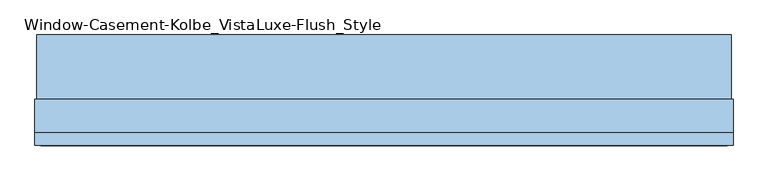
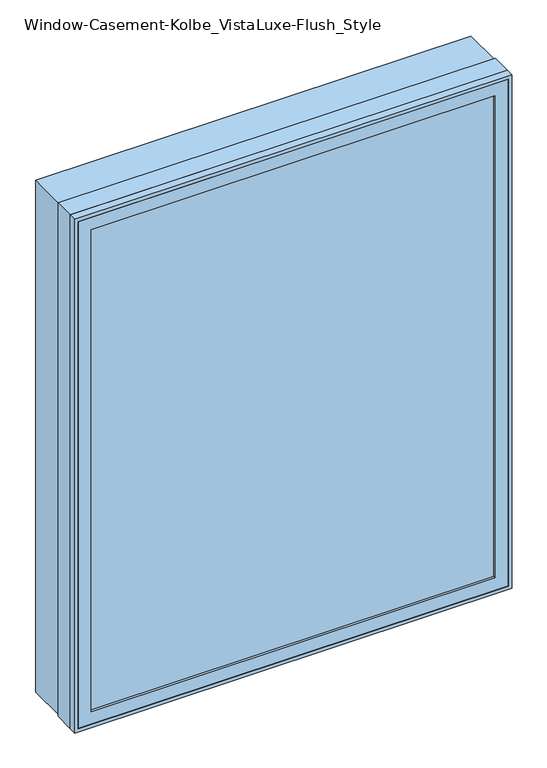
"""IFC4 building model written with IfcOpenShell, lengths in millimetres: window geometry, Window-Casement-Kolbe_VistaLuxe-Flush_Style."""

from ifc_helpers import new_model, si_unit, frame, origin, place, context, project, spatial, polyline, outline, extrude, faceted_brep, source, transform, mapped, element, save


def window_casement_kolbe_vistaluxe_flush_style_f17f0dac(model_context):
    return source(origin(), model_context, "Body", "SolidModel", [
        faceted_brep([(-685.8696599, -121.37898, 970.676875), (-685.8696599, -129.31648, 970.676875), (674.7765901, -129.31648, 970.676875), (674.7765901, -121.37898, 970.676875), (-701.7446599, -99.12858, 954.801875), (-701.7446599, -121.37898, 954.801875), (690.6515901, -121.37898, 954.801875), (690.6515901, -99.12858, 954.801875), (-685.8696599, -80.10398, 970.676875), (-685.8696599, -99.12858, 970.676875), (674.7765901, -99.12858, 970.676875), (674.7765901, -80.10398, 970.676875), (-730.3196599, -129.31648, 926.226875), (-730.3196599, -80.10398, 926.226875), (719.2265901, -80.10398, 926.226875), (719.2265901, -129.31648, 926.226875), (674.7765901, -129.31648, 2686.923125), (674.7765901, -121.37898, 2686.923125), (690.6515901, -121.37898, 2702.798125), (690.6515901, -99.12858, 2702.798125), (674.7765901, -99.12858, 2686.923125), (674.7765901, -80.10398, 2686.923125), (719.2265901, -80.10398, 2731.373125), (719.2265901, -129.31648, 2731.373125), (-685.8696599, -129.31648, 2686.923125), (-685.8696599, -121.37898, 2686.923125), (-701.7446599, -121.37898, 2702.798125), (-701.7446599, -99.12858, 2702.798125), (-685.8696599, -99.12858, 2686.923125), (-685.8696599, -80.10398, 2686.923125), (-730.3196599, -80.10398, 2731.373125), (-730.3196599, -129.31648, 2731.373125)], [[[0, 1, 2, 3]], [[4, 5, 6, 7]], [[8, 9, 10, 11]], [[12, 13, 14, 15]], [[3, 2, 16, 17]], [[7, 6, 18, 19]], [[11, 10, 20, 21]], [[15, 14, 22, 23]], [[17, 16, 24, 25]], [[19, 18, 26, 27]], [[21, 20, 28, 29]], [[23, 22, 30, 31]], [[25, 24, 1, 0]], [[5, 26, 18, 6], [3, 17, 25, 0]], [[27, 26, 5, 4]], [[7, 19, 27, 4], [9, 28, 20, 10]], [[29, 28, 9, 8]], [[13, 30, 22, 14], [11, 21, 29, 8]], [[31, 30, 13, 12]], [[15, 23, 31, 12], [1, 24, 16, 2]]]),
        extrude(outline(polyline([(2739.6186, 727.4720651), (2739.6186, -738.5651349), (917.9814, -738.5651349), (917.9814, 727.4720651), (2739.6186, 727.4720651)]), holes=[polyline([(936.545625, 708.9078401), (936.545625, -720.0009099), (2721.054375, -720.0009099), (2721.054375, 708.9078401), (936.545625, 708.9078401)])]), frame((0.0, -32.5247, 0.0), z_axis=(0.0, 1.0, 0.0), x_axis=(0.0, 0.0, 1.0)), (0.0, 0.0, 1.0), 135.7122),
        extrude(outline(polyline([(2743.2, -742.1465349), (914.4, -742.1465349), (914.4, 731.0534651), (2743.2, 731.0534651), (2743.2, -742.1465349)]), holes=[polyline([(2731.373125, 719.2265901), (926.226875, 719.2265901), (926.226875, -730.3196599), (2731.373125, -730.3196599), (2731.373125, 719.2265901)])]), frame((0.0, -130.1115, 0.0), z_axis=(0.0, 1.0, 0.0), x_axis=(0.0, 0.0, 1.0)), (0.0, 0.0, 1.0), 26.924),
        faceted_brep([(731.0534651, -32.5247, 914.4), (731.0534651, -103.1875, 914.4), (-742.1465349, -103.1875, 914.4), (-742.1465349, -32.5247, 914.4), (708.9078401, -80.10525, 936.545625), (708.9078401, -32.5247, 936.545625), (-720.0009099, -32.5247, 936.545625), (-720.0009099, -80.10525, 936.545625), (719.2265901, -103.1875, 926.226875), (719.2265901, -80.10525, 926.226875), (-730.3196599, -80.10525, 926.226875), (-730.3196599, -103.1875, 926.226875), (-742.1465349, -103.1875, 2743.2), (-742.1465349, -32.5247, 2743.2), (-720.0009099, -32.5247, 2721.054375), (-720.0009099, -80.10525, 2721.054375), (-730.3196599, -80.10525, 2731.373125), (-730.3196599, -103.1875, 2731.373125), (731.0534651, -103.1875, 2743.2), (731.0534651, -32.5247, 2743.2), (708.9078401, -32.5247, 2721.054375), (708.9078401, -80.10525, 2721.054375), (719.2265901, -80.10525, 2731.373125), (719.2265901, -103.1875, 2731.373125)], [[[0, 1, 2, 3]], [[4, 5, 6, 7]], [[8, 9, 10, 11]], [[3, 2, 12, 13]], [[7, 6, 14, 15]], [[11, 10, 16, 17]], [[13, 12, 18, 19]], [[15, 14, 20, 21]], [[17, 16, 22, 23]], [[19, 18, 1, 0]], [[3, 13, 19, 0], [5, 20, 14, 6]], [[21, 20, 5, 4]], [[9, 22, 16, 10], [7, 15, 21, 4]], [[23, 22, 9, 8]], [[1, 18, 12, 2], [11, 17, 23, 8]]]),
        extrude(outline(polyline([(687.4765901, -102.30358), (-698.5696599, -102.30358), (-698.5696599, -99.12858), (687.4765901, -99.12858), (687.4765901, -102.30358)])), frame((0.0, 0.0, 957.976875), z_axis=(0.0, 0.0, 1.0), x_axis=(1.0, 0.0, 0.0)), (0.0, 0.0, 1.0), 1741.64625),
        extrude(outline(polyline([(687.4765901, -118.20398), (687.4765901, -121.37898), (-698.5696599, -121.37898), (-698.5696599, -118.20398), (687.4765901, -118.20398)])), frame((0.0, 0.0, 957.976875), z_axis=(0.0, 0.0, 1.0), x_axis=(1.0, 0.0, 0.0)), (0.0, 0.0, 1.0), 1741.64625),
        extrude(outline(polyline([(936.545625, 708.9078401), (2721.054375, 708.9078401), (2721.054375, -720.0009099), (936.545625, -720.0009099), (936.545625, 708.9078401)]), holes=[polyline([(954.801875, -701.7446599), (2702.798125, -701.7446599), (2702.798125, 690.6515901), (954.801875, 690.6515901), (954.801875, -701.7446599)])]), frame((0.0, -80.10525, 0.0), z_axis=(0.0, 1.0, 0.0), x_axis=(0.0, 0.0, 1.0)), (0.0, 0.0, 1.0), 50.8),
    ])


if __name__ == "__main__":
    model = new_model("IFC4")
    model_context = context("Model", 3, world=origin())
    ifc_project = project(units=[si_unit("LENGTHUNIT", "METRE", prefix="MILLI")], contexts=[model_context])
    site = spatial("IfcSite", under=ifc_project)
    building = spatial("IfcBuilding", under=site)
    placement = place(None, origin())
    window_casement_kolbe_vistaluxe_flush_style_shape = window_casement_kolbe_vistaluxe_flush_style_f17f0dac(model_context)
    element("IfcWindow", 1, ObjectType="Window-Casement-Kolbe_VistaLuxe-Flush_Style", at=placement, inside=building, context=model_context, shape_type="MappedRepresentation", body=[
        mapped(window_casement_kolbe_vistaluxe_flush_style_shape, transform((0.0, 0.0, 0.0), x_axis=(1.0, 0.0, 0.0), y_axis=(0.0, 1.0, 0.0), z_axis=(0.0, 0.0, 1.0))),
    ])
    save(model, "model.ifc")
